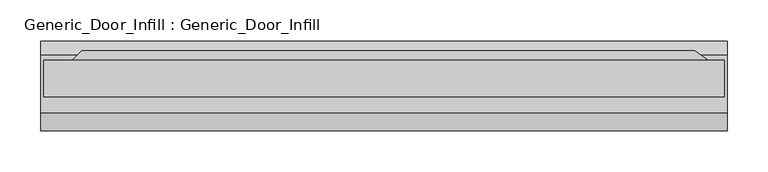
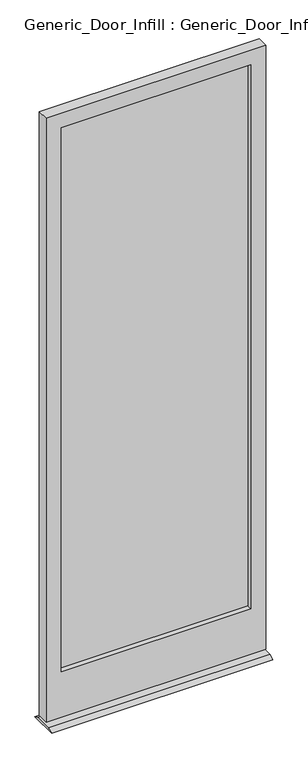
"""IFC4 building model written with IfcOpenShell, lengths in millimetres: plate geometry, Generic_Door_Infill : Generic_Door_Infill."""

import ifcopenshell
import ifcopenshell.guid

model = None  # the IFC model being written
_history = None  # IfcOwnerHistory: only IFC2X3 demands one
_inside = {}  # id of a spatial element -> (the spatial element, [elements in it])
_under = {}  # id of a project, library or spatial element -> (it, [spatial elements below it])
_declared = {}  # id of a project -> (the project, [libraries it declares])
_typed = {}  # id of a type object -> (the type object, [elements of that type])
_made_of = {}  # id of a material, layer set ... -> (it, [elements and type objects made of it])


def new_model(schema):
    """Start an empty IFC model of exactly this schema.

    Asked for "IFC4X3", IfcOpenShell would pick the latest addendum, in which some entities
    have other attributes; the version numbers below select the first issue.
    IFC2X3 requires an IfcOwnerHistory on every rooted entity: one is made here for all.
    """
    global model, _history
    if schema == "IFC4X3":
        model = ifcopenshell.file(schema_version=(4, 3, 0, 0))
    else:
        model = ifcopenshell.file(schema=schema)
    _inside.clear()
    _under.clear()
    _declared.clear()
    _typed.clear()
    _made_of.clear()
    _history = None
    if model.schema == "IFC2X3":
        org = make("IfcOrganization", Name="unknown")
        user = make(
            "IfcPersonAndOrganization",
            ThePerson=make("IfcPerson", FamilyName="unknown"),
            TheOrganization=org,
        )
        app = make(
            "IfcApplication",
            ApplicationDeveloper=org,
            Version="unknown",
            ApplicationFullName="unknown",
            ApplicationIdentifier="unknown",
        )
        _history = make(
            "IfcOwnerHistory",
            OwningUser=user,
            OwningApplication=app,
            ChangeAction="ADDED",
            CreationDate=0,
        )
    return model


def make(cls, **values):
    """One entity of the class cls with the attributes given. An attribute that is None is left unset."""
    return model.create_entity(
        cls, **{name: value for name, value in values.items() if value is not None}
    )


def rooted(cls, **values):
    """An entity with a GlobalId (a new one), such as an element, a storey or a relation."""
    return make(cls, GlobalId=ifcopenshell.guid.new(), OwnerHistory=_history, **values)


def si_unit(unit_type, name, prefix=None):
    """IfcSIUnit, for example si_unit("LENGTHUNIT", "METRE", prefix="MILLI")."""
    return make("IfcSIUnit", UnitType=unit_type, Prefix=prefix, Name=name)


def assignment(units):
    """IfcUnitAssignment: the units of a project."""
    return None if units is None else make("IfcUnitAssignment", Units=units)


def point(xyz):
    """IfcCartesianPoint."""
    return None if xyz is None else make("IfcCartesianPoint", Coordinates=xyz)


def direction(xyz):
    """IfcDirection."""
    return None if xyz is None else make("IfcDirection", DirectionRatios=xyz)


def frame(location, z_axis=None, x_axis=None):
    """IfcAxis2Placement3D, a coordinate frame: its origin and axes. An axis left out is left unset."""
    return make(
        "IfcAxis2Placement3D",
        Location=point(location),
        Axis=direction(z_axis),
        RefDirection=direction(x_axis),
    )


def origin():
    """The frame at (0, 0, 0) with its axes left unset."""
    return frame((0.0, 0.0, 0.0))


def place(relative_to, where):
    """IfcLocalPlacement: puts the frame where relative to a parent placement (None: the world)."""
    return make(
        "IfcLocalPlacement", PlacementRelTo=relative_to, RelativePlacement=where
    )


def context(
    kind, dimensions, precision=None, world=None, true_north=None, identifier=None
):
    """IfcGeometricRepresentationContext, for example the 3D "Model" context."""
    return make(
        "IfcGeometricRepresentationContext",
        ContextIdentifier=identifier,
        ContextType=kind,
        CoordinateSpaceDimension=dimensions,
        Precision=precision,
        WorldCoordinateSystem=world,
        TrueNorth=true_north,
    )


def project(units=None, contexts=None):
    """IfcProject with its units and contexts."""
    return rooted(
        "IfcProject",
        Name="project",
        RepresentationContexts=contexts,
        UnitsInContext=assignment(units),
    )


def spatial(cls, under=None, at=None, **own):
    """A site, building, storey or space (cls), placed at a placement, below another one or the project."""
    s = rooted(cls, ObjectPlacement=at, **own)
    if under is not None:
        _under.setdefault(under.id(), (under, []))[1].append(s)
    return s


def polyline(points):
    """IfcPolyline through the points."""
    return make("IfcPolyline", Points=[point(p) for p in points])


def outline(outer, holes=None, kind="AREA"):
    """IfcArbitraryClosedProfileDef: a profile drawn as a closed curve; with holes, ...WithVoids."""
    if holes is None:
        return make("IfcArbitraryClosedProfileDef", ProfileType=kind, OuterCurve=outer)
    return make(
        "IfcArbitraryProfileDefWithVoids",
        ProfileType=kind,
        OuterCurve=outer,
        InnerCurves=holes,
    )


def extrude(swept, where, along, depth):
    """IfcExtrudedAreaSolid: the profile swept, set in the frame where, extruded along a direction by depth."""
    return make(
        "IfcExtrudedAreaSolid",
        SweptArea=swept,
        Position=where,
        ExtrudedDirection=direction(along),
        Depth=depth,
    )


def shape(context_of_items, identifier, shape_type, items):
    """IfcShapeRepresentation: the items that make up one representation, for example the "Body"."""
    return make(
        "IfcShapeRepresentation",
        ContextOfItems=context_of_items,
        RepresentationIdentifier=identifier,
        RepresentationType=shape_type,
        Items=items,
    )


def source(mapping_origin, context_of_items, identifier, shape_type, items):
    """IfcRepresentationMap: a shape defined once, which mapped items show again and again."""
    return make(
        "IfcRepresentationMap",
        MappingOrigin=mapping_origin,
        MappedRepresentation=shape(context_of_items, identifier, shape_type, items),
    )


def transform(
    local_origin,
    x_axis=None,
    y_axis=None,
    z_axis=None,
    scale=None,
    scale2=None,
    scale3=None,
    uniform=True,
):
    """IfcCartesianTransformationOperator3D, or its non-uniform kind. x_axis, y_axis, z_axis: its Axis1, 2, 3."""
    if uniform:
        return make(
            "IfcCartesianTransformationOperator3D",
            Axis1=direction(x_axis),
            Axis2=direction(y_axis),
            LocalOrigin=point(local_origin),
            Scale=scale,
            Axis3=direction(z_axis),
        )
    return make(
        "IfcCartesianTransformationOperator3DnonUniform",
        Axis1=direction(x_axis),
        Axis2=direction(y_axis),
        LocalOrigin=point(local_origin),
        Scale=scale,
        Axis3=direction(z_axis),
        Scale2=scale2,
        Scale3=scale3,
    )


def mapped(mapping_source, mapping_target):
    """IfcMappedItem: shows the shape of a source again, moved by a transform."""
    return make(
        "IfcMappedItem", MappingSource=mapping_source, MappingTarget=mapping_target
    )


def made_of(thing, what):
    """Note that an element or type object is made of a material, layer set ...; save() writes the relation."""
    if what is not None:
        _made_of.setdefault(what.id(), (what, []))[1].append(thing)
    return thing


def element(
    cls,
    number,
    at=None,
    inside=None,
    cuts=None,
    type_object=None,
    material=None,
    context=None,
    identifier="Body",
    shape_type=None,
    held_by="IfcProductDefinitionShape",
    body=None,
    shapes=None,
    **own,
):
    """One element of the class cls, such as IfcWall. Its Tag is "e" and its number.

    at: its placement. inside: the storey or other place that contains it. cuts: it is an
    opening in that element (IfcRelVoidsElement). A single representation is given by context,
    identifier, shape_type and body (its items); several are given by shapes. held_by: the class
    of the entity that holds the representations. save() writes the other relations.
    """
    e = rooted(cls, Tag="e%d" % number, ObjectPlacement=at, **own)
    if body is not None:
        shapes = [shape(context, identifier, shape_type, body)]
    if shapes is not None:
        e.Representation = make(held_by, Representations=shapes)
    if inside is not None:
        _inside.setdefault(inside.id(), (inside, []))[1].append(e)
    if cuts is not None:
        rooted(
            "IfcRelVoidsElement", RelatingBuildingElement=cuts, RelatedOpeningElement=e
        )
    if type_object is not None:
        _typed.setdefault(type_object.id(), (type_object, []))[1].append(e)
    return made_of(e, material)


def aggregate(whole, parts):
    """IfcRelAggregates: a whole, such as a stair, and the parts it consists of."""
    return rooted("IfcRelAggregates", RelatingObject=whole, RelatedObjects=parts)


def save(model, path):
    """Write the relations noted so far, then the file.

    IfcRelAggregates (storeys below a building ...), IfcRelContainedInSpatialStructure (elements
    in a storey), IfcRelDefinesByType, IfcRelAssociatesMaterial and IfcRelDeclares: one each for
    every whole, place, type object, material and project.
    """
    for whole, parts in _under.values():
        aggregate(whole, parts)
    for where, things in _inside.values():
        rooted(
            "IfcRelContainedInSpatialStructure",
            RelatedElements=things,
            RelatingStructure=where,
        )
    for kind, things in _typed.values():
        rooted("IfcRelDefinesByType", RelatedObjects=things, RelatingType=kind)
    for what, things in _made_of.values():
        rooted("IfcRelAssociatesMaterial", RelatedObjects=things, RelatingMaterial=what)
    for by, libraries in _declared.values():
        rooted("IfcRelDeclares", RelatingContext=by, RelatedDefinitions=libraries)
    model.write(path)


def generic_door_infill_generic_door_infill_63e2d877(model_context):
    return source(origin(), model_context, "Body", "SweptSolid", [
        extrude(outline(polyline([(-369.3894878, 33.8355122), (379.8567123, 33.8355122), (405.5069821, 15.875), (-387.35, 15.875), (-369.3894878, 33.8355122)])), frame((0.0, 0.0, 1090.3849987), z_axis=(0.0, 0.0, 1.0), x_axis=(1.0, 0.0, 0.0)), (0.0, 0.0, 1.0), 78.0150013),
        extrude(outline(polyline([(-358.775, -3.175), (-358.775, 3.175), (358.775, 3.175), (358.775, -3.175), (-358.775, -3.175)])), frame((0.0, 0.0, 200.025), z_axis=(0.0, 0.0, 1.0), x_axis=(1.0, 0.0, 0.0)), (0.0, 0.0, 1.0), 2177.83476),
        extrude(outline(polyline([(2435.00976, 415.925), (2435.00976, -415.925), (17.4625, -415.925), (17.4625, 415.925), (2435.00976, 415.925)]), holes=[polyline([(2377.85976, 358.775), (200.025, 358.775), (200.025, -358.775), (2377.85976, -358.775), (2377.85976, 358.775)])]), frame((0.0, -22.225, 0.0), z_axis=(0.0, 1.0, 0.0), x_axis=(0.0, 0.0, 1.0)), (0.0, 0.0, 1.0), 44.45),
        extrude(outline(polyline([(28.575, 8.0508779), (45.8401633, 0.0), (-63.3946052, 0.0), (-41.275, 8.0508779), (28.575, 8.0508779)])), frame((-419.1, 0.0, 0.0), z_axis=(1.0, 0.0, 0.0), x_axis=(0.0, 1.0, 0.0)), (0.0, 0.0, 1.0), 838.2),
    ])


if __name__ == "__main__":
    model = new_model("IFC4")
    model_context = context("Model", 3, world=origin())
    ifc_project = project(units=[si_unit("LENGTHUNIT", "METRE", prefix="MILLI")], contexts=[model_context])
    site = spatial("IfcSite", under=ifc_project)
    building = spatial("IfcBuilding", under=site)
    placement = place(None, origin())
    generic_door_infill_generic_door_infill_shape = generic_door_infill_generic_door_infill_63e2d877(model_context)
    element("IfcPlate", 1, ObjectType="Generic_Door_Infill : Generic_Door_Infill", at=placement, inside=building, context=model_context, shape_type="MappedRepresentation", body=[
        mapped(generic_door_infill_generic_door_infill_shape, transform((0.0, 0.0, 0.0), x_axis=(1.0, 0.0, 0.0), y_axis=(0.0, 1.0, 0.0), z_axis=(0.0, 0.0, 1.0))),
    ])
    save(model, "model.ifc")
